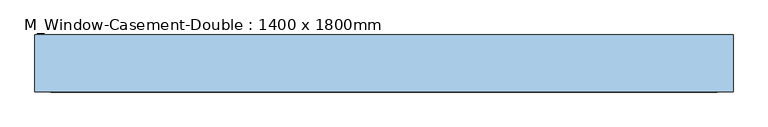
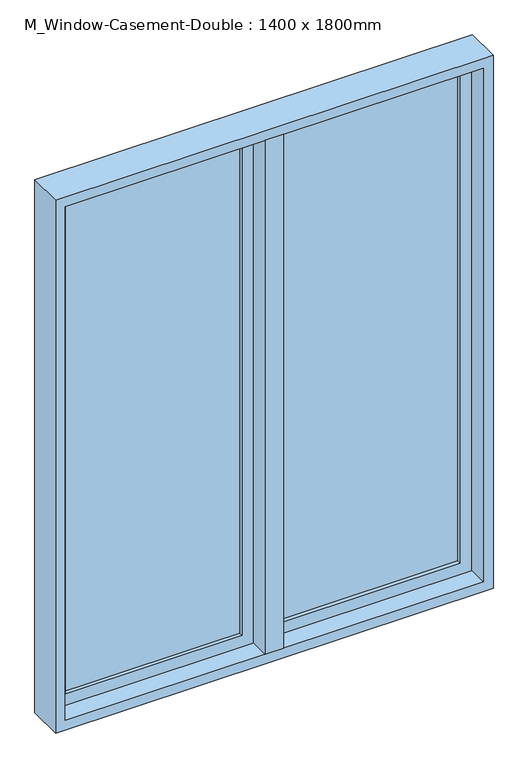
"""IFC4 building model written with IfcOpenShell, lengths in millimetres: window geometry, M_Window-Casement-Double : 1400 x 1800mm."""

from ifc_helpers import new_model, si_unit, frame, origin, place, context, project, spatial, polyline, outline, extrude, faceted_brep, source, transform, mapped, element, save


def m_window_casement_double_1400_x_1800mm_9bbf564a(model_context):
    return source(origin(), model_context, "Body", "SolidModel", [
        faceted_brep([(9.525, 64.05, 2687.3), (-9.525, 64.05, 2687.3), (-9.525, 13.25, 2687.3), (9.525, 13.25, 2687.3), (9.525, 64.05, 912.7), (9.525, 13.25, 912.7), (-9.525, 13.25, 912.7), (-9.525, 64.05, 912.7), (-9.525, 13.25, 931.75), (-9.525, 13.25, 2668.25), (-30.1625, 13.25, 931.75), (-30.1625, 13.25, 2668.25), (-30.1625, -50.25, 931.75), (-30.1625, -50.25, 2668.25), (30.1625, -50.25, 931.75), (30.1625, -50.25, 2668.25), (30.1625, 13.25, 931.75), (30.1625, 13.25, 2668.25), (9.525, 13.25, 931.75), (9.525, 13.25, 2668.25)], [[[0, 1, 2, 3]], [[4, 5, 6, 7]], [[1, 0, 4, 7]], [[2, 1, 7, 6, 8, 9]], [[9, 8, 10, 11]], [[11, 10, 12, 13]], [[13, 12, 14, 15]], [[15, 14, 16, 17]], [[17, 16, 18, 19]], [[0, 3, 19, 18, 5, 4]], [[18, 8, 6, 5]], [[9, 19, 3, 2]], [[8, 18, 16, 14, 12, 10]], [[19, 9, 11, 13, 15, 17]]]),
        extrude(outline(polyline([(-66.675, 45.0), (-66.675, 38.65), (-630.15, 38.65), (-630.15, 45.0), (-66.675, 45.0)])), frame((0.0, 0.0, 969.85), z_axis=(0.0, 0.0, 1.0), x_axis=(1.0, 0.0, 0.0)), (0.0, 0.0, 1.0), 1660.3),
        extrude(outline(polyline([(-630.15, 25.95), (-630.15, 32.3), (-66.675, 32.3), (-66.675, 25.95), (-630.15, 25.95)])), frame((0.0, 0.0, 969.85), z_axis=(0.0, 0.0, 1.0), x_axis=(1.0, 0.0, 0.0)), (0.0, 0.0, 1.0), 1660.3),
        extrude(outline(polyline([(630.15, 45.0), (630.15, 38.65), (66.675, 38.65), (66.675, 45.0), (630.15, 45.0)])), frame((0.0, 0.0, 969.85), z_axis=(0.0, 0.0, 1.0), x_axis=(1.0, 0.0, 0.0)), (0.0, 0.0, 1.0), 1660.3),
        extrude(outline(polyline([(66.675, 25.95), (66.675, 32.3), (630.15, 32.3), (630.15, 25.95), (66.675, 25.95)])), frame((0.0, 0.0, 969.85), z_axis=(0.0, 0.0, 1.0), x_axis=(1.0, 0.0, 0.0)), (0.0, 0.0, 1.0), 1660.3),
        extrude(outline(polyline([(2687.3, -687.3), (912.7, -687.3), (912.7, -9.525), (2687.3, -9.525), (2687.3, -687.3)]), holes=[polyline([(2630.15, -66.675), (969.85, -66.675), (969.85, -630.15), (2630.15, -630.15), (2630.15, -66.675)])]), frame((0.0, 13.25, 0.0), z_axis=(0.0, 1.0, 0.0), x_axis=(0.0, 0.0, 1.0)), (0.0, 0.0, 1.0), 44.45),
        extrude(outline(polyline([(912.7, 687.3), (2687.3, 687.3), (2687.3, 9.525), (912.7, 9.525), (912.7, 687.3)]), holes=[polyline([(969.85, 66.675), (2630.15, 66.675), (2630.15, 630.15), (969.85, 630.15), (969.85, 66.675)])]), frame((0.0, 13.25, 0.0), z_axis=(0.0, 1.0, 0.0), x_axis=(0.0, 0.0, 1.0)), (0.0, 0.0, 1.0), 44.45),
        faceted_brep([(668.25, 13.25, 2668.25), (668.25, -50.25, 2668.25), (-668.25, -50.25, 2668.25), (-668.25, 13.25, 2668.25), (687.3, 64.05, 2687.3), (687.3, 13.25, 2687.3), (-687.3, 13.25, 2687.3), (-687.3, 64.05, 2687.3), (700.0, -50.25, 2700.0), (700.0, 64.05, 2700.0), (-700.0, 64.05, 2700.0), (-700.0, -50.25, 2700.0), (-668.25, -50.25, 931.75), (-668.25, 13.25, 931.75), (-687.3, 13.25, 912.7), (-687.3, 64.05, 912.7), (-700.0, 64.05, 900.0), (-700.0, -50.25, 900.0), (668.25, -50.25, 931.75), (668.25, 13.25, 931.75), (687.3, 13.25, 912.7), (687.3, 64.05, 912.7), (700.0, 64.05, 900.0), (700.0, -50.25, 900.0)], [[[0, 1, 2, 3]], [[4, 5, 6, 7]], [[8, 9, 10, 11]], [[3, 2, 12, 13]], [[7, 6, 14, 15]], [[11, 10, 16, 17]], [[13, 12, 18, 19]], [[15, 14, 20, 21]], [[17, 16, 22, 23]], [[11, 17, 23, 8], [1, 18, 12, 2]], [[19, 18, 1, 0]], [[5, 20, 14, 6], [3, 13, 19, 0]], [[21, 20, 5, 4]], [[23, 22, 9, 8]], [[9, 22, 16, 10], [7, 15, 21, 4]]]),
    ])


if __name__ == "__main__":
    model = new_model("IFC4")
    model_context = context("Model", 3, world=origin())
    ifc_project = project(units=[si_unit("LENGTHUNIT", "METRE", prefix="MILLI")], contexts=[model_context])
    site = spatial("IfcSite", under=ifc_project)
    building = spatial("IfcBuilding", under=site)
    placement = place(None, origin())
    m_window_casement_double_1400_x_1800mm_shape = m_window_casement_double_1400_x_1800mm_9bbf564a(model_context)
    element("IfcWindow", 1, ObjectType="M_Window-Casement-Double : 1400 x 1800mm", at=placement, inside=building, context=model_context, shape_type="MappedRepresentation", body=[
        mapped(m_window_casement_double_1400_x_1800mm_shape, transform((0.0, 0.0, 0.0), x_axis=(1.0, 0.0, 0.0), y_axis=(0.0, 1.0, 0.0), z_axis=(0.0, 0.0, 1.0))),
    ])
    save(model, "model.ifc")
